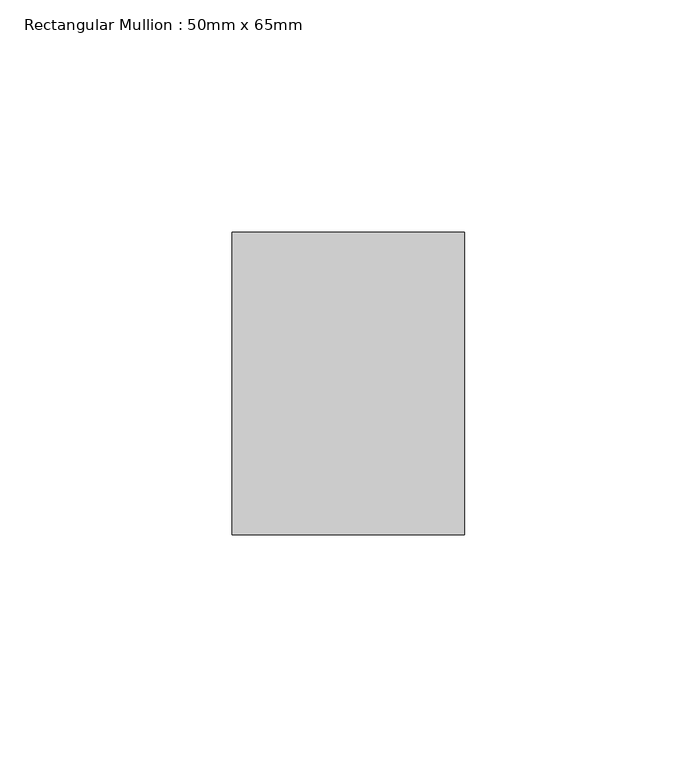
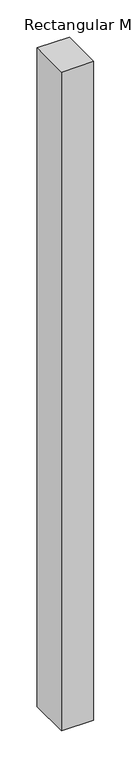
"""IFC4 building model written with IfcOpenShell, lengths in millimetres: member geometry, Rectangular Mullion : 50mm x 65mm."""

from ifc_helpers import new_model, si_unit, frame, origin, place, context, project, spatial, polyline, outline, extrude, source, transform, mapped, element, save


def rectangular_mullion_50mm_x_65mm_0f0d1f42(model_context):
    return source(origin(), model_context, "Body", "SweptSolid", [
        extrude(outline(polyline([(25.0, 32.5), (25.0, -32.5), (-25.0, -32.5), (-25.0, 32.5), (25.0, 32.5)])), frame((0.0, 0.0, -1078.0450492), z_axis=(0.0, 0.0, 1.0), x_axis=(1.0, 0.0, 0.0)), (0.0, 0.0, 1.0), 1078.0450492),
    ])


if __name__ == "__main__":
    model = new_model("IFC4")
    model_context = context("Model", 3, world=origin())
    ifc_project = project(units=[si_unit("LENGTHUNIT", "METRE", prefix="MILLI")], contexts=[model_context])
    site = spatial("IfcSite", under=ifc_project)
    building = spatial("IfcBuilding", under=site)
    placement = place(None, origin())
    rectangular_mullion_50mm_x_65mm_shape = rectangular_mullion_50mm_x_65mm_0f0d1f42(model_context)
    element("IfcMember", 1, ObjectType="Rectangular Mullion : 50mm x 65mm", at=placement, inside=building, context=model_context, shape_type="MappedRepresentation", body=[
        mapped(rectangular_mullion_50mm_x_65mm_shape, transform((0.0, 0.0, 0.0), x_axis=(1.0, 0.0, 0.0), y_axis=(0.0, 1.0, 0.0), z_axis=(0.0, 0.0, 1.0))),
    ])
    save(model, "model.ifc")
